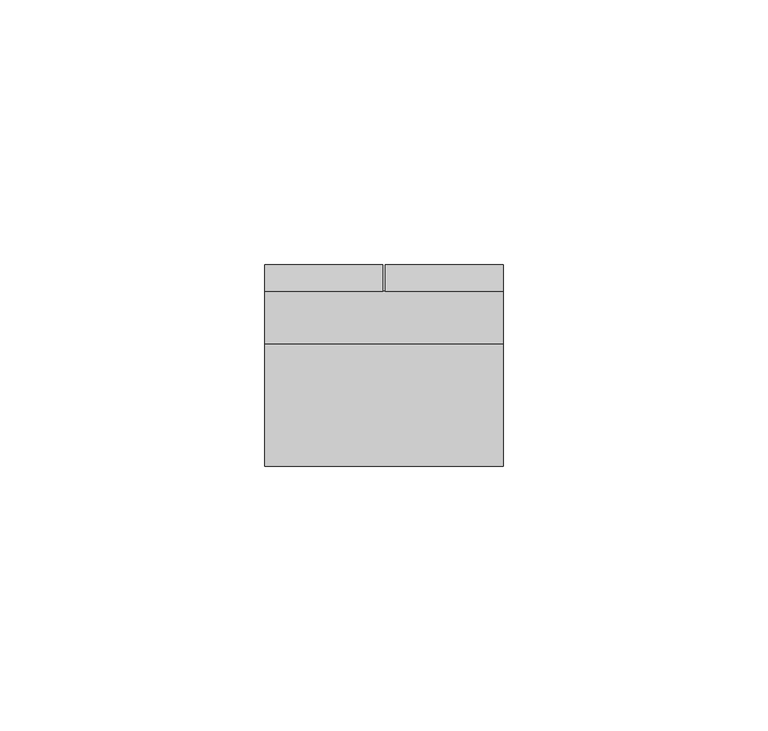
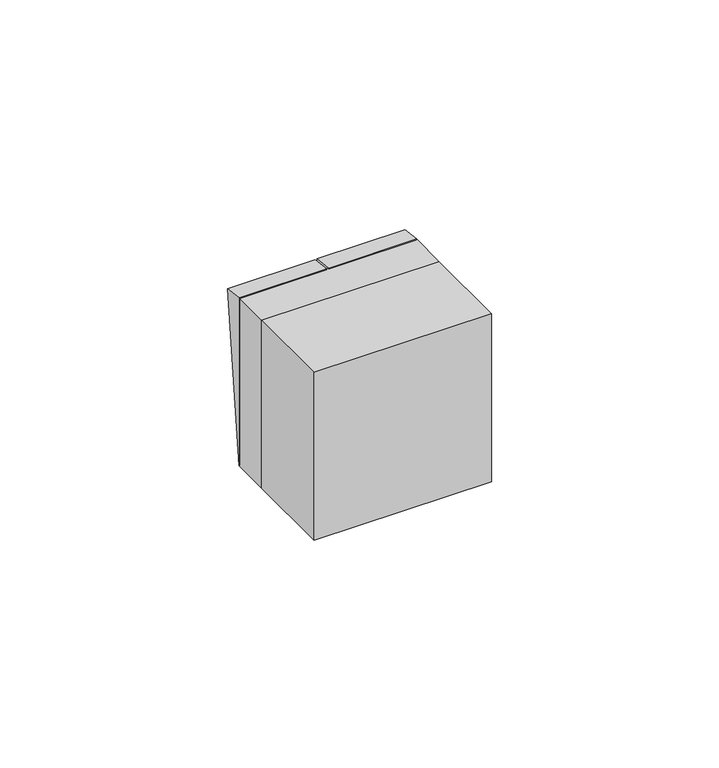
"""IFC4 building model written with IfcOpenShell, lengths in millimetres: switching device geometry."""

from ifc_helpers import new_model, si_unit, frame, origin, place, context, project, spatial, polyline, outline, extrude, source, transform, mapped, element, save


def switching_device_26333ec9(model_context):
    return source(origin(), model_context, "Body", "SweptSolid", [
        extrude(outline(polyline([(10.0, -22.5), (10.0, 22.5), (14.9850961, 21.9408026), (10.0, -22.5)])), frame((0.25, 0.0, 0.0), z_axis=(1.0, 0.0, 0.0), x_axis=(0.0, 1.0, 0.0)), (0.0, 0.0, 1.0), 22.25),
        extrude(outline(polyline([(10.0, -22.5), (10.0, 22.5), (14.9850961, 21.9408026), (10.0, -22.5)])), frame((-22.5, 0.0, 0.0), z_axis=(1.0, 0.0, 0.0), x_axis=(0.0, 1.0, 0.0)), (0.0, 0.0, 1.0), 22.25),
        extrude(outline(polyline([(22.5, -23.0), (-22.5, -23.0), (-22.5, 0.0), (22.5, 0.0), (22.5, -23.0)])), frame((0.0, 0.0, -22.5), z_axis=(0.0, 0.0, 1.0), x_axis=(1.0, 0.0, 0.0)), (0.0, 0.0, 1.0), 45.0),
        extrude(outline(polyline([(22.5, 0.0), (-22.5, 0.0), (-22.5, 10.0), (22.5, 10.0), (22.5, 0.0)])), frame((0.0, 0.0, -22.5), z_axis=(0.0, 0.0, 1.0), x_axis=(1.0, 0.0, 0.0)), (0.0, 0.0, 1.0), 45.0),
    ])


if __name__ == "__main__":
    model = new_model("IFC4")
    model_context = context("Model", 3, world=origin())
    ifc_project = project(units=[si_unit("LENGTHUNIT", "METRE", prefix="MILLI")], contexts=[model_context])
    site = spatial("IfcSite", under=ifc_project)
    building = spatial("IfcBuilding", under=site)
    placement = place(None, origin())
    switching_device_shape = switching_device_26333ec9(model_context)
    element("IfcSwitchingDevice", 1, at=placement, inside=building, context=model_context, shape_type="MappedRepresentation", body=[
        mapped(switching_device_shape, transform((0.0, 0.0, 0.0), x_axis=(1.0, 0.0, 0.0), y_axis=(0.0, 1.0, 0.0), z_axis=(0.0, 0.0, 1.0))),
    ])
    save(model, "model.ifc")
